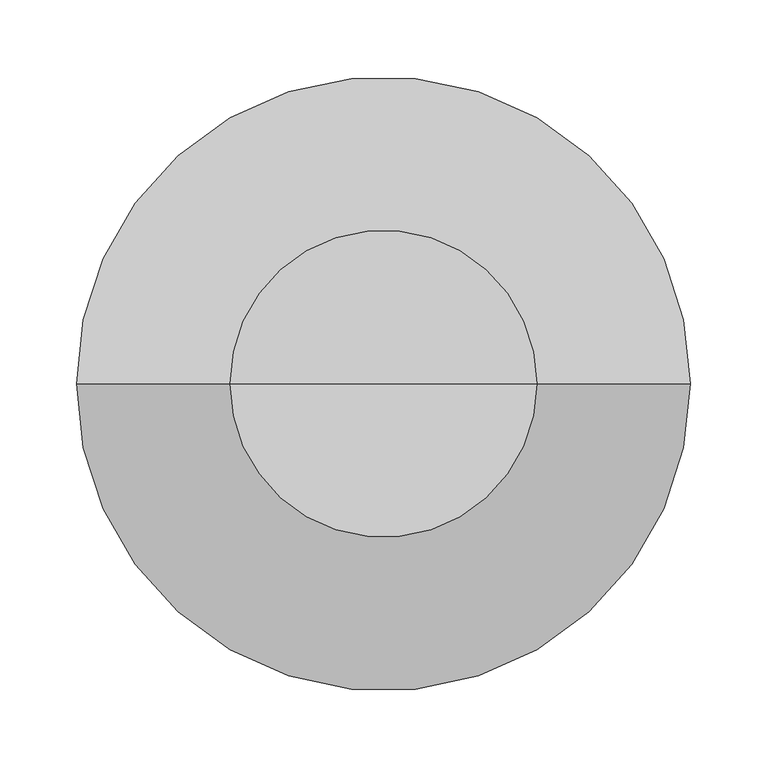
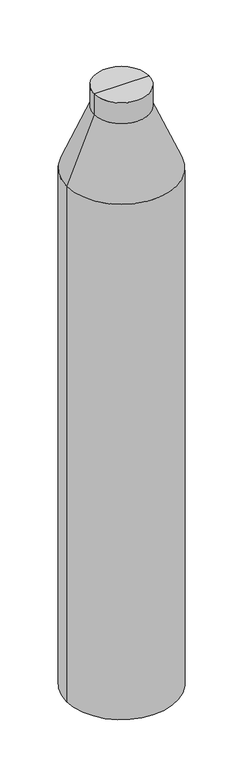
"""IFC4 building model written with IfcOpenShell, lengths in millimetres: column geometry."""

from ifc_helpers import new_model, si_unit, frame, origin, place, context, project, spatial, polyline, circle_curve, source, transform, mapped, element, save
from ifc_brep_helpers import plane_surface, cylinder_surface, revolved_surface, advanced_brep


def column_54a55aa3(model_context):
    return source(origin(), model_context, "Body", "AdvancedBrep", [
        advanced_brep(
        [(-200.0, 0.0, -619.125), (200.0, 0.0, -619.125), (200.0, 0.0, -2599.125), (-200.0, 0.0, -2599.125), (0.0, 0.0, -2599.125), (-100.0, 0.0, -379.125), (100.0, 0.0, -379.125), (-100.0, 0.0, -299.125), (100.0, 0.0, -299.125), (0.0, 0.0, -299.125)],
        [
            (0, 1, circle_curve(frame((0.0, 0.0, -619.125), z_axis=(0.0, 0.0, -1.0), x_axis=(1.0, 0.0, 0.0)), 200.0)),
            (1, 2),
            (2, 3, circle_curve(frame((0.0, 0.0, -2599.125), z_axis=(0.0, 0.0, 1.0), x_axis=(1.0, 0.0, 0.0)), 200.0)),
            (3, 0),
            (2, 4),
            (4, 3),
            (2, 3, circle_curve(frame((0.0, 0.0, -2599.125), z_axis=(0.0, 0.0, -1.0), x_axis=(1.0, 0.0, 0.0)), 200.0)),
            (1, 0, circle_curve(frame((0.0, 0.0, -619.125), z_axis=(0.0, 0.0, -1.0), x_axis=(1.0, 0.0, 0.0)), 200.0)),
            (5, 6, circle_curve(frame((0.0, 0.0, -379.125), z_axis=(0.0, 0.0, -1.0), x_axis=(1.0, 0.0, 0.0)), 100.0)),
            (6, 1),
            (0, 5),
            (6, 5, circle_curve(frame((0.0, 0.0, -379.125), z_axis=(0.0, 0.0, -1.0), x_axis=(1.0, 0.0, 0.0)), 100.0)),
            (7, 8, circle_curve(frame((0.0, 0.0, -299.125), z_axis=(0.0, 0.0, -1.0), x_axis=(1.0, 0.0, 0.0)), 100.0)),
            (8, 6),
            (5, 7),
            (8, 7, circle_curve(frame((0.0, 0.0, -299.125), z_axis=(0.0, 0.0, -1.0), x_axis=(1.0, 0.0, 0.0)), 100.0)),
            (9, 8),
            (7, 9),
        ],
        [
            cylinder_surface(frame((0.0, 0.0, -657.8940014), z_axis=(0.0, 0.0, 1.0), x_axis=(1.0, 0.0, 0.0)), 200.0),
            plane_surface(frame((0.0, 0.0, -2599.125), z_axis=(0.0, 0.0, -1.0), x_axis=(1.0, 0.0, 0.0))),
            revolved_surface(polyline([(200.0, 0.0, -619.125), (100.0, 0.0, -379.125)]), (0.0, 0.0, -657.8940014), (0.0, 0.0, 1.0)),
            cylinder_surface(frame((0.0, 0.0, -657.8940014), z_axis=(0.0, 0.0, 1.0), x_axis=(1.0, 0.0, 0.0)), 100.0),
            plane_surface(frame((0.0, 0.0, -299.125), z_axis=(0.0, 0.0, 1.0), x_axis=(1.0, 0.0, 0.0))),
        ],
        [
            (0, [[1, 2, 3, 4]]),
            (1, [[-3, 5, 6]]),
            (1, [[7, -6, -5]]),
            (0, [[8, -4, -7, -2]]),
            (2, [[9, 10, -1, 11]]),
            (2, [[12, -11, -8, -10]]),
            (3, [[13, 14, -9, 15]]),
            (3, [[16, -15, -12, -14]]),
            (4, [[17, -13, 18]]),
            (4, [[-18, -16, -17]]),
        ],
    ),
    ])


if __name__ == "__main__":
    model = new_model("IFC4")
    model_context = context("Model", 3, world=origin())
    ifc_project = project(units=[si_unit("LENGTHUNIT", "METRE", prefix="MILLI")], contexts=[model_context])
    site = spatial("IfcSite", under=ifc_project)
    building = spatial("IfcBuilding", under=site)
    placement = place(None, origin())
    column_shape = column_54a55aa3(model_context)
    element("IfcColumn", 1, at=placement, inside=building, context=model_context, shape_type="MappedRepresentation", body=[
        mapped(column_shape, transform((0.0, 0.0, 0.0), x_axis=(1.0, 0.0, 0.0), y_axis=(0.0, 1.0, 0.0), z_axis=(0.0, 0.0, 1.0))),
    ])
    save(model, "model.ifc")
